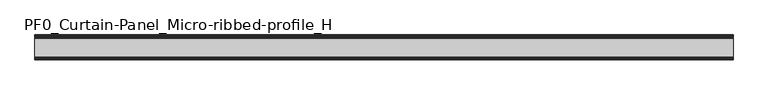
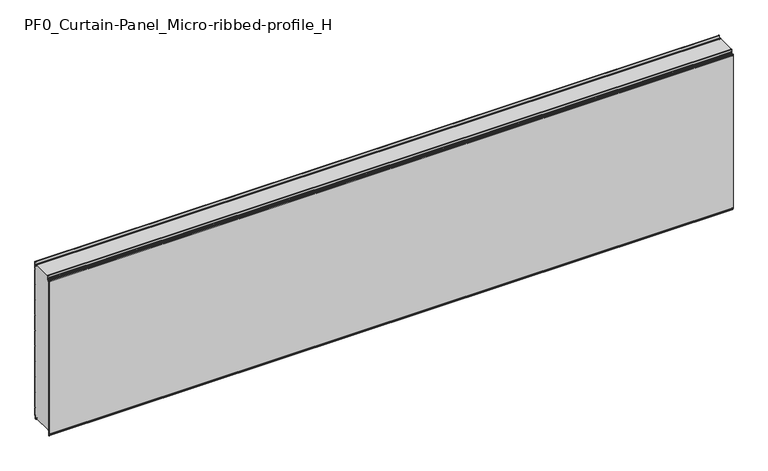
"""IFC4 building model written with IfcOpenShell, lengths in millimetres: plate geometry, PF0_Curtain-Panel_Micro-ribbed-profile_H."""

import ifcopenshell
import ifcopenshell.guid

model = None  # the IFC model being written
_history = None  # IfcOwnerHistory: only IFC2X3 demands one
_inside = {}  # id of a spatial element -> (the spatial element, [elements in it])
_under = {}  # id of a project, library or spatial element -> (it, [spatial elements below it])
_declared = {}  # id of a project -> (the project, [libraries it declares])
_typed = {}  # id of a type object -> (the type object, [elements of that type])
_made_of = {}  # id of a material, layer set ... -> (it, [elements and type objects made of it])


def new_model(schema):
    """Start an empty IFC model of exactly this schema.

    Asked for "IFC4X3", IfcOpenShell would pick the latest addendum, in which some entities
    have other attributes; the version numbers below select the first issue.
    IFC2X3 requires an IfcOwnerHistory on every rooted entity: one is made here for all.
    """
    global model, _history
    if schema == "IFC4X3":
        model = ifcopenshell.file(schema_version=(4, 3, 0, 0))
    else:
        model = ifcopenshell.file(schema=schema)
    _inside.clear()
    _under.clear()
    _declared.clear()
    _typed.clear()
    _made_of.clear()
    _history = None
    if model.schema == "IFC2X3":
        org = make("IfcOrganization", Name="unknown")
        user = make(
            "IfcPersonAndOrganization",
            ThePerson=make("IfcPerson", FamilyName="unknown"),
            TheOrganization=org,
        )
        app = make(
            "IfcApplication",
            ApplicationDeveloper=org,
            Version="unknown",
            ApplicationFullName="unknown",
            ApplicationIdentifier="unknown",
        )
        _history = make(
            "IfcOwnerHistory",
            OwningUser=user,
            OwningApplication=app,
            ChangeAction="ADDED",
            CreationDate=0,
        )
    return model


def make(cls, **values):
    """One entity of the class cls with the attributes given. An attribute that is None is left unset."""
    return model.create_entity(
        cls, **{name: value for name, value in values.items() if value is not None}
    )


def rooted(cls, **values):
    """An entity with a GlobalId (a new one), such as an element, a storey or a relation."""
    return make(cls, GlobalId=ifcopenshell.guid.new(), OwnerHistory=_history, **values)


def si_unit(unit_type, name, prefix=None):
    """IfcSIUnit, for example si_unit("LENGTHUNIT", "METRE", prefix="MILLI")."""
    return make("IfcSIUnit", UnitType=unit_type, Prefix=prefix, Name=name)


def assignment(units):
    """IfcUnitAssignment: the units of a project."""
    return None if units is None else make("IfcUnitAssignment", Units=units)


def point(xyz):
    """IfcCartesianPoint."""
    return None if xyz is None else make("IfcCartesianPoint", Coordinates=xyz)


def direction(xyz):
    """IfcDirection."""
    return None if xyz is None else make("IfcDirection", DirectionRatios=xyz)


def frame(location, z_axis=None, x_axis=None):
    """IfcAxis2Placement3D, a coordinate frame: its origin and axes. An axis left out is left unset."""
    return make(
        "IfcAxis2Placement3D",
        Location=point(location),
        Axis=direction(z_axis),
        RefDirection=direction(x_axis),
    )


def frame_2d(location, x_axis=None):
    """IfcAxis2Placement2D, a coordinate frame in the plane: its origin and x axis."""
    return make(
        "IfcAxis2Placement2D", Location=point(location), RefDirection=direction(x_axis)
    )


def origin():
    """The frame at (0, 0, 0) with its axes left unset."""
    return frame((0.0, 0.0, 0.0))


def place(relative_to, where):
    """IfcLocalPlacement: puts the frame where relative to a parent placement (None: the world)."""
    return make(
        "IfcLocalPlacement", PlacementRelTo=relative_to, RelativePlacement=where
    )


def context(
    kind, dimensions, precision=None, world=None, true_north=None, identifier=None
):
    """IfcGeometricRepresentationContext, for example the 3D "Model" context."""
    return make(
        "IfcGeometricRepresentationContext",
        ContextIdentifier=identifier,
        ContextType=kind,
        CoordinateSpaceDimension=dimensions,
        Precision=precision,
        WorldCoordinateSystem=world,
        TrueNorth=true_north,
    )


def project(units=None, contexts=None):
    """IfcProject with its units and contexts."""
    return rooted(
        "IfcProject",
        Name="project",
        RepresentationContexts=contexts,
        UnitsInContext=assignment(units),
    )


def spatial(cls, under=None, at=None, **own):
    """A site, building, storey or space (cls), placed at a placement, below another one or the project."""
    s = rooted(cls, ObjectPlacement=at, **own)
    if under is not None:
        _under.setdefault(under.id(), (under, []))[1].append(s)
    return s


def polyline(points):
    """IfcPolyline through the points."""
    return make("IfcPolyline", Points=[point(p) for p in points])


def circle_curve(where, radius):
    """IfcCircle in the frame where."""
    return make("IfcCircle", Position=where, Radius=radius)


def trimmed(basis, trim1, trim2, sense, master):
    """IfcTrimmedCurve: the piece of a basis curve between two trims."""
    return make(
        "IfcTrimmedCurve",
        BasisCurve=basis,
        Trim1=trim1,
        Trim2=trim2,
        SenseAgreement=sense,
        MasterRepresentation=master,
    )


def segment(curve, same_sense, transition):
    """IfcCompositeCurveSegment."""
    return make(
        "IfcCompositeCurveSegment",
        Transition=transition,
        SameSense=same_sense,
        ParentCurve=curve,
    )


def composite_curve(segments, self_intersect=None):
    """IfcCompositeCurve: segments joined end to end."""
    return make("IfcCompositeCurve", Segments=segments, SelfIntersect=self_intersect)


def outline(outer, holes=None, kind="AREA"):
    """IfcArbitraryClosedProfileDef: a profile drawn as a closed curve; with holes, ...WithVoids."""
    if holes is None:
        return make("IfcArbitraryClosedProfileDef", ProfileType=kind, OuterCurve=outer)
    return make(
        "IfcArbitraryProfileDefWithVoids",
        ProfileType=kind,
        OuterCurve=outer,
        InnerCurves=holes,
    )


def extrude(swept, where, along, depth):
    """IfcExtrudedAreaSolid: the profile swept, set in the frame where, extruded along a direction by depth."""
    return make(
        "IfcExtrudedAreaSolid",
        SweptArea=swept,
        Position=where,
        ExtrudedDirection=direction(along),
        Depth=depth,
    )


def shape(context_of_items, identifier, shape_type, items):
    """IfcShapeRepresentation: the items that make up one representation, for example the "Body"."""
    return make(
        "IfcShapeRepresentation",
        ContextOfItems=context_of_items,
        RepresentationIdentifier=identifier,
        RepresentationType=shape_type,
        Items=items,
    )


def source(mapping_origin, context_of_items, identifier, shape_type, items):
    """IfcRepresentationMap: a shape defined once, which mapped items show again and again."""
    return make(
        "IfcRepresentationMap",
        MappingOrigin=mapping_origin,
        MappedRepresentation=shape(context_of_items, identifier, shape_type, items),
    )


def transform(
    local_origin,
    x_axis=None,
    y_axis=None,
    z_axis=None,
    scale=None,
    scale2=None,
    scale3=None,
    uniform=True,
):
    """IfcCartesianTransformationOperator3D, or its non-uniform kind. x_axis, y_axis, z_axis: its Axis1, 2, 3."""
    if uniform:
        return make(
            "IfcCartesianTransformationOperator3D",
            Axis1=direction(x_axis),
            Axis2=direction(y_axis),
            LocalOrigin=point(local_origin),
            Scale=scale,
            Axis3=direction(z_axis),
        )
    return make(
        "IfcCartesianTransformationOperator3DnonUniform",
        Axis1=direction(x_axis),
        Axis2=direction(y_axis),
        LocalOrigin=point(local_origin),
        Scale=scale,
        Axis3=direction(z_axis),
        Scale2=scale2,
        Scale3=scale3,
    )


def mapped(mapping_source, mapping_target):
    """IfcMappedItem: shows the shape of a source again, moved by a transform."""
    return make(
        "IfcMappedItem", MappingSource=mapping_source, MappingTarget=mapping_target
    )


def made_of(thing, what):
    """Note that an element or type object is made of a material, layer set ...; save() writes the relation."""
    if what is not None:
        _made_of.setdefault(what.id(), (what, []))[1].append(thing)
    return thing


def element(
    cls,
    number,
    at=None,
    inside=None,
    cuts=None,
    type_object=None,
    material=None,
    context=None,
    identifier="Body",
    shape_type=None,
    held_by="IfcProductDefinitionShape",
    body=None,
    shapes=None,
    **own,
):
    """One element of the class cls, such as IfcWall. Its Tag is "e" and its number.

    at: its placement. inside: the storey or other place that contains it. cuts: it is an
    opening in that element (IfcRelVoidsElement). A single representation is given by context,
    identifier, shape_type and body (its items); several are given by shapes. held_by: the class
    of the entity that holds the representations. save() writes the other relations.
    """
    e = rooted(cls, Tag="e%d" % number, ObjectPlacement=at, **own)
    if body is not None:
        shapes = [shape(context, identifier, shape_type, body)]
    if shapes is not None:
        e.Representation = make(held_by, Representations=shapes)
    if inside is not None:
        _inside.setdefault(inside.id(), (inside, []))[1].append(e)
    if cuts is not None:
        rooted(
            "IfcRelVoidsElement", RelatingBuildingElement=cuts, RelatedOpeningElement=e
        )
    if type_object is not None:
        _typed.setdefault(type_object.id(), (type_object, []))[1].append(e)
    return made_of(e, material)


def aggregate(whole, parts):
    """IfcRelAggregates: a whole, such as a stair, and the parts it consists of."""
    return rooted("IfcRelAggregates", RelatingObject=whole, RelatedObjects=parts)


def save(model, path):
    """Write the relations noted so far, then the file.

    IfcRelAggregates (storeys below a building ...), IfcRelContainedInSpatialStructure (elements
    in a storey), IfcRelDefinesByType, IfcRelAssociatesMaterial and IfcRelDeclares: one each for
    every whole, place, type object, material and project.
    """
    for whole, parts in _under.values():
        aggregate(whole, parts)
    for where, things in _inside.values():
        rooted(
            "IfcRelContainedInSpatialStructure",
            RelatedElements=things,
            RelatingStructure=where,
        )
    for kind, things in _typed.values():
        rooted("IfcRelDefinesByType", RelatedObjects=things, RelatingType=kind)
    for what, things in _made_of.values():
        rooted("IfcRelAssociatesMaterial", RelatedObjects=things, RelatingMaterial=what)
    for by, libraries in _declared.values():
        rooted("IfcRelDeclares", RelatingContext=by, RelatedDefinitions=libraries)
    model.write(path)


def plane_surface(at):
    """IfcPlane: the flat surface through the origin of the frame at, square to its z axis."""
    return make("IfcPlane", Position=at)


def cylinder_surface(at, radius):
    """IfcCylindricalSurface: all points at the distance radius from the z axis of the frame at."""
    return make("IfcCylindricalSurface", Position=at, Radius=radius)


def revolved_surface(curve, axis_point, axis_direction):
    """IfcSurfaceOfRevolution: the curve turned about the line through axis_point along axis_direction."""
    return make(
        "IfcSurfaceOfRevolution",
        SweptCurve=make("IfcArbitraryOpenProfileDef", ProfileType="CURVE", Curve=curve),
        AxisPosition=make("IfcAxis1Placement", Location=point(axis_point), Axis=direction(axis_direction)),
    )


def advanced_brep(points, edges, surfaces, faces):
    """IfcAdvancedBrep: a solid bounded by faces that lie on surfaces and meet in shared edges.

    An edge is (start, end): straight between two places in points (the first is 0);
    or (start, end, curve); or (start, end, curve, False) where it runs against its curve.
    A face is (place in surfaces, loops), or (place, loops, False) where it looks against
    its surface's normal. A loop lists edges by number (the first is 1), with a minus sign
    where the edge is run from its end to its start. The first loop is the outer one.
    """
    corners = [point(p) for p in points]
    vertices = [make("IfcVertexPoint", VertexGeometry=c) for c in corners]
    made = []
    for start, end, *more in edges:
        made.append(
            make(
                "IfcEdgeCurve",
                EdgeStart=vertices[start],
                EdgeEnd=vertices[end],
                EdgeGeometry=more[0] if more else make("IfcPolyline", Points=[corners[start], corners[end]]),
                SameSense=more[1] if len(more) > 1 else True,
            )
        )
    hull = []
    for where, loops, *sense in faces:
        bounds = []
        for j, loop in enumerate(loops):
            ring = [make("IfcOrientedEdge", EdgeElement=made[abs(k) - 1], Orientation=k > 0) for k in loop]
            bounds.append(
                make(
                    "IfcFaceOuterBound" if j == 0 else "IfcFaceBound",
                    Bound=make("IfcEdgeLoop", EdgeList=ring),
                    Orientation=True,
                )
            )
        hull.append(make("IfcAdvancedFace", Bounds=bounds, FaceSurface=surfaces[where], SameSense=sense[0] if sense else True))
    return make("IfcAdvancedBrep", Outer=make("IfcClosedShell", CfsFaces=hull))


def pf0_curtain_panel_micro_ribbed_profile_h_ebd55389(model_context):
    return source(origin(), model_context, "Body", "SolidModel", [
        advanced_brep(
        [(-2100.0, -15.878557, 0.0), (-2100.0, -20.0, 0.0), (-2100.0, -20.0, 0.8), (-2100.0, -15.878557, 0.8), (-2100.0, -13.1503208, -1.370137), (-2100.0, -11.728236, -7.529863), (-2100.0, -6.2, -6.9), (-2100.0, -6.2, 8.6), (-2100.0, -3.4, 11.4), (-2100.0, -2.0, 11.4), (-2100.0, -0.8, 12.6), (-2100.0, -0.8, 57.6856412), (-2100.0, -2.482606, 60.6), (-2100.0, -0.8, 63.5143588), (-2100.0, -0.8, 157.6856412), (-2100.0, -2.482606, 160.6), (-2100.0, -0.8, 163.5143588), (-2100.0, -0.8, 257.6856412), (-2100.0, -2.482606, 260.6), (-2100.0, -0.8, 263.5143588), (-2100.0, -0.8, 357.6856412), (-2100.0, -2.482606, 360.6), (-2100.0, -0.8, 363.5143588), (-2100.0, -0.8, 457.6856412), (-2100.0, -2.482606, 460.6), (-2100.0, -0.8, 463.5143588), (-2100.0, -0.8, 557.6856412), (-2100.0, -2.482606, 560.6), (-2100.0, -0.8, 563.5143588), (-2100.0, -0.8, 657.6856412), (-2100.0, -2.482606, 660.6), (-2100.0, -0.8, 663.5143588), (-2100.0, -0.8, 757.6856412), (-2100.0, -2.482606, 760.6), (-2100.0, -0.8, 763.5143588), (-2100.0, -0.8, 857.6856412), (-2100.0, -2.482606, 860.6), (-2100.0, -0.8, 863.5143588), (-2100.0, -0.8, 957.6856412), (-2100.0, -2.482606, 960.6), (-2100.0, -0.8, 963.5143588), (-2100.0, -0.8, 1008.1), (-2100.0, -4.2, 1008.1), (-2100.0, -4.2, 991.1), (-2100.0, -13.7270771, 990.2664884), (-2100.0, -14.8636953, 996.7125669), (-2100.0, -16.6363492, 998.2), (-2100.0, -20.0, 998.2), (-2100.0, -20.0, 999.0), (-2100.0, -16.6363492, 999.0), (-2100.0, -14.0758491, 996.8514855), (-2100.0, -12.939231, 990.405407), (-2100.0, -5.0, 991.1), (-2100.0, -5.0, 1008.1), (-2100.0, -2.5, 1010.6), (-2100.0, 0.0, 1008.1), (-2100.0, 0.0, 963.2999995), (-2100.0, -1.5588455, 960.6), (-2100.0, 0.0, 957.9000005), (-2100.0, 0.0, 863.2999995), (-2100.0, -1.5588455, 860.6), (-2100.0, 0.0, 857.9000005), (-2100.0, 0.0, 763.2999995), (-2100.0, -1.5588455, 760.6), (-2100.0, 0.0, 757.9000005), (-2100.0, 0.0, 663.2999995), (-2100.0, -1.5588455, 660.6), (-2100.0, 0.0, 657.9000005), (-2100.0, 0.0, 563.2999995), (-2100.0, -1.5588455, 560.6), (-2100.0, 0.0, 557.9000005), (-2100.0, 0.0, 463.2999995), (-2100.0, -1.5588455, 460.6), (-2100.0, 0.0, 457.9000005), (-2100.0, 0.0, 363.2999995), (-2100.0, -1.5588455, 360.6), (-2100.0, 0.0, 357.9000005), (-2100.0, 0.0, 263.2999995), (-2100.0, -1.5588455, 260.6), (-2100.0, 0.0, 257.9000005), (-2100.0, 0.0, 163.2999995), (-2100.0, -1.5588455, 160.6), (-2100.0, 0.0, 157.9000005), (-2100.0, 0.0, 63.2999995), (-2100.0, -1.5588455, 60.6), (-2100.0, 0.0, 57.9000005), (-2100.0, 0.0, 12.6), (-2100.0, -2.0, 10.6), (-2100.0, -3.4, 10.6), (-2100.0, -5.4, 8.6), (-2100.0, -5.4, -6.9), (-2100.0, -12.5077322, -7.7098239), (-2100.0, -13.929817, -1.5500979), (2100.0, -15.878557, 0.0), (2100.0, -13.9298169, -1.5500978), (2100.0, -12.507732, -7.7098239), (2100.0, -5.4, -6.9), (2100.0, -5.4, 8.6), (2100.0, -3.4, 10.6), (2100.0, -2.0, 10.6), (2100.0, 0.0, 12.6), (2100.0, 0.0, 57.9000005), (2100.0, -1.5588455, 60.6), (2100.0, 0.0, 63.2999995), (2100.0, 0.0, 157.9000005), (2100.0, -1.5588455, 160.6), (2100.0, 0.0, 163.2999995), (2100.0, 0.0, 257.9000005), (2100.0, -1.5588455, 260.6), (2100.0, 0.0, 263.2999995), (2100.0, 0.0, 357.9000005), (2100.0, -1.5588455, 360.6), (2100.0, 0.0, 363.2999995), (2100.0, 0.0, 457.9000005), (2100.0, -1.5588455, 460.6), (2100.0, 0.0, 463.2999995), (2100.0, 0.0, 557.9000005), (2100.0, -1.5588455, 560.6), (2100.0, 0.0, 563.2999995), (2100.0, 0.0, 657.9000005), (2100.0, -1.5588455, 660.6), (2100.0, 0.0, 663.2999995), (2100.0, 0.0, 757.9000005), (2100.0, -1.5588455, 760.6), (2100.0, 0.0, 763.2999995), (2100.0, 0.0, 857.9000005), (2100.0, -1.5588455, 860.6), (2100.0, 0.0, 863.2999995), (2100.0, 0.0, 957.9000005), (2100.0, -1.5588455, 960.6), (2100.0, 0.0, 963.2999995), (2100.0, 0.0, 1008.1), (2100.0, -2.5, 1010.6), (2100.0, -5.0, 1008.1), (2100.0, -5.0, 991.1), (2100.0, -12.939231, 990.405407), (2100.0, -14.0758491, 996.8514855), (2100.0, -16.6363492, 999.0), (2100.0, -20.0, 999.0), (2100.0, -20.0, 998.2), (2100.0, -16.6363492, 998.2), (2100.0, -14.8636953, 996.7125669), (2100.0, -13.7270772, 990.2664884), (2100.0, -4.2, 991.1), (2100.0, -4.2, 1008.1), (2100.0, -0.8, 1008.1), (2100.0, -0.8, 963.5143588), (2100.0, -2.482606, 960.6), (2100.0, -0.8, 957.6856412), (2100.0, -0.8, 863.5143588), (2100.0, -2.482606, 860.6), (2100.0, -0.8, 857.6856412), (2100.0, -0.8, 763.5143588), (2100.0, -2.482606, 760.6), (2100.0, -0.8, 757.6856412), (2100.0, -0.8, 663.5143588), (2100.0, -2.482606, 660.6), (2100.0, -0.8, 657.6856412), (2100.0, -0.8, 563.5143588), (2100.0, -2.482606, 560.6), (2100.0, -0.8, 557.6856412), (2100.0, -0.8, 463.5143588), (2100.0, -2.482606, 460.6), (2100.0, -0.8, 457.6856412), (2100.0, -0.8, 363.5143588), (2100.0, -2.482606, 360.6), (2100.0, -0.8, 357.6856412), (2100.0, -0.8, 263.5143588), (2100.0, -2.482606, 260.6), (2100.0, -0.8, 257.6856412), (2100.0, -0.8, 163.5143588), (2100.0, -2.482606, 160.6), (2100.0, -0.8, 157.6856412), (2100.0, -0.8, 63.5143588), (2100.0, -2.482606, 60.6), (2100.0, -0.8, 57.6856412), (2100.0, -0.8, 12.6), (2100.0, -2.0, 11.4), (2100.0, -3.4, 11.4), (2100.0, -6.2, 8.6), (2100.0, -6.2, -6.9), (2100.0, -11.7282362, -7.529863), (2100.0, -13.150321, -1.370137), (2100.0, -15.878557, 0.8), (2100.0, -20.0, 0.8), (2100.0, -20.0, 0.0)],
        [
            (0, 1),
            (1, 2),
            (2, 3),
            (3, 4, circle_curve(frame((-2100.0, -15.878557, -2.0), z_axis=(-1.0, 0.0, 0.0), x_axis=(0.0, 0.0, 1.0)), 2.8)),
            (4, 5),
            (5, 6, circle_curve(frame((-2100.0, -9.0, -6.9), z_axis=(1.0, 0.0, 0.0), x_axis=(0.0, 0.0, 1.0)), 2.8)),
            (6, 7),
            (7, 8, circle_curve(frame((-2100.0, -3.4, 8.6), z_axis=(-1.0, 0.0, 0.0), x_axis=(0.0, 0.0, 1.0)), 2.8)),
            (8, 9),
            (9, 10, circle_curve(frame((-2100.0, -2.0, 12.6), z_axis=(1.0, 0.0, 0.0), x_axis=(0.0, 0.0, 1.0)), 1.2)),
            (10, 11),
            (11, 12),
            (12, 13),
            (13, 14),
            (14, 15),
            (15, 16),
            (16, 17),
            (17, 18),
            (18, 19),
            (19, 20),
            (20, 21),
            (21, 22),
            (22, 23),
            (23, 24),
            (24, 25),
            (25, 26),
            (26, 27),
            (27, 28),
            (28, 29),
            (29, 30),
            (30, 31),
            (31, 32),
            (32, 33),
            (33, 34),
            (34, 35),
            (35, 36),
            (36, 37),
            (37, 38),
            (38, 39),
            (39, 40),
            (40, 41),
            (41, 42, circle_curve(frame((-2100.0, -2.5, 1008.1), z_axis=(1.0, 0.0, 0.0), x_axis=(0.0, 0.0, 1.0)), 1.7)),
            (42, 43),
            (43, 44, circle_curve(frame((-2100.0, -9.0, 991.1), z_axis=(-1.0, 0.0, 0.0), x_axis=(0.0, 0.0, 1.0)), 4.8)),
            (44, 45),
            (45, 46, circle_curve(frame((-2100.0, -16.6363492, 996.4), z_axis=(1.0, 0.0, 0.0), x_axis=(0.0, 0.0, 1.0)), 1.8)),
            (46, 47),
            (47, 48),
            (48, 49),
            (49, 50, circle_curve(frame((-2100.0, -16.6363492, 996.4), z_axis=(-1.0, 0.0, 0.0), x_axis=(0.0, 0.0, 1.0)), 2.6)),
            (50, 51),
            (51, 52, circle_curve(frame((-2100.0, -9.0, 991.1), z_axis=(1.0, 0.0, 0.0), x_axis=(0.0, 0.0, 1.0)), 4.0)),
            (52, 53),
            (53, 54, circle_curve(frame((-2100.0, -2.5, 1008.1), z_axis=(-1.0, 0.0, 0.0), x_axis=(0.0, 0.0, 1.0)), 2.5)),
            (54, 55, circle_curve(frame((-2100.0, -2.5, 1008.1), z_axis=(-1.0, 0.0, 0.0), x_axis=(0.0, 0.0, 1.0)), 2.5)),
            (55, 56),
            (56, 57),
            (57, 58),
            (58, 59),
            (59, 60),
            (60, 61),
            (61, 62),
            (62, 63),
            (63, 64),
            (64, 65),
            (65, 66),
            (66, 67),
            (67, 68),
            (68, 69),
            (69, 70),
            (70, 71),
            (71, 72),
            (72, 73),
            (73, 74),
            (74, 75),
            (75, 76),
            (76, 77),
            (77, 78),
            (78, 79),
            (79, 80),
            (80, 81),
            (81, 82),
            (82, 83),
            (83, 84),
            (84, 85),
            (85, 86),
            (86, 87, circle_curve(frame((-2100.0, -2.0, 12.6), z_axis=(-1.0, 0.0, 0.0), x_axis=(0.0, 0.0, 1.0)), 2.0)),
            (87, 88),
            (88, 89, circle_curve(frame((-2100.0, -3.4, 8.6), z_axis=(1.0, 0.0, 0.0), x_axis=(0.0, 0.0, 1.0)), 2.0)),
            (89, 90),
            (90, 91, circle_curve(frame((-2100.0, -9.0, -6.9), z_axis=(-1.0, 0.0, 0.0), x_axis=(0.0, 0.0, 1.0)), 3.6)),
            (91, 92),
            (92, 0, circle_curve(frame((-2100.0, -15.878557, -2.0), z_axis=(1.0, 0.0, 0.0), x_axis=(0.0, 0.0, 1.0)), 2.0)),
            (93, 94, circle_curve(frame((2100.0, -15.878557, -2.0), z_axis=(-1.0, 0.0, 0.0), x_axis=(0.0, 0.0, 1.0)), 2.0)),
            (94, 95),
            (95, 96, circle_curve(frame((2100.0, -9.0, -6.9), z_axis=(1.0, 0.0, 0.0), x_axis=(0.0, 0.0, 1.0)), 3.6)),
            (96, 97),
            (97, 98, circle_curve(frame((2100.0, -3.4, 8.6), z_axis=(-1.0, 0.0, 0.0), x_axis=(0.0, 0.0, 1.0)), 2.0)),
            (98, 99),
            (99, 100, circle_curve(frame((2100.0, -2.0, 12.6), z_axis=(1.0, 0.0, 0.0), x_axis=(0.0, 0.0, 1.0)), 2.0)),
            (100, 101),
            (101, 102),
            (102, 103),
            (103, 104),
            (104, 105),
            (105, 106),
            (106, 107),
            (107, 108),
            (108, 109),
            (109, 110),
            (110, 111),
            (111, 112),
            (112, 113),
            (113, 114),
            (114, 115),
            (115, 116),
            (116, 117),
            (117, 118),
            (118, 119),
            (119, 120),
            (120, 121),
            (121, 122),
            (122, 123),
            (123, 124),
            (124, 125),
            (125, 126),
            (126, 127),
            (127, 128),
            (128, 129),
            (129, 130),
            (130, 131),
            (131, 132, circle_curve(frame((2100.0, -2.5, 1008.1), z_axis=(1.0, 0.0, 0.0), x_axis=(0.0, 0.0, 1.0)), 2.5)),
            (132, 133, circle_curve(frame((2100.0, -2.5, 1008.1), z_axis=(1.0, 0.0, 0.0), x_axis=(0.0, 0.0, 1.0)), 2.5)),
            (133, 134),
            (134, 135, circle_curve(frame((2100.0, -9.0, 991.1), z_axis=(-1.0, 0.0, 0.0), x_axis=(0.0, 0.0, 1.0)), 4.0)),
            (135, 136),
            (136, 137, circle_curve(frame((2100.0, -16.6363492, 996.4), z_axis=(1.0, 0.0, 0.0), x_axis=(0.0, 0.0, 1.0)), 2.6)),
            (137, 138),
            (138, 139),
            (139, 140),
            (140, 141, circle_curve(frame((2100.0, -16.6363492, 996.4), z_axis=(-1.0, 0.0, 0.0), x_axis=(0.0, 0.0, 1.0)), 1.8)),
            (141, 142),
            (142, 143, circle_curve(frame((2100.0, -9.0, 991.1), z_axis=(1.0, 0.0, 0.0), x_axis=(0.0, 0.0, 1.0)), 4.8)),
            (143, 144),
            (144, 145, circle_curve(frame((2100.0, -2.5, 1008.1), z_axis=(-1.0, 0.0, 0.0), x_axis=(0.0, 0.0, 1.0)), 1.7)),
            (145, 146),
            (146, 147),
            (147, 148),
            (148, 149),
            (149, 150),
            (150, 151),
            (151, 152),
            (152, 153),
            (153, 154),
            (154, 155),
            (155, 156),
            (156, 157),
            (157, 158),
            (158, 159),
            (159, 160),
            (160, 161),
            (161, 162),
            (162, 163),
            (163, 164),
            (164, 165),
            (165, 166),
            (166, 167),
            (167, 168),
            (168, 169),
            (169, 170),
            (170, 171),
            (171, 172),
            (172, 173),
            (173, 174),
            (174, 175),
            (175, 176),
            (176, 177, circle_curve(frame((2100.0, -2.0, 12.6), z_axis=(-1.0, 0.0, 0.0), x_axis=(0.0, 0.0, 1.0)), 1.2)),
            (177, 178),
            (178, 179, circle_curve(frame((2100.0, -3.4, 8.6), z_axis=(1.0, 0.0, 0.0), x_axis=(0.0, 0.0, 1.0)), 2.8)),
            (179, 180),
            (180, 181, circle_curve(frame((2100.0, -9.0, -6.9), z_axis=(-1.0, 0.0, 0.0), x_axis=(0.0, 0.0, 1.0)), 2.8)),
            (181, 182),
            (182, 183, circle_curve(frame((2100.0, -15.878557, -2.0), z_axis=(1.0, 0.0, 0.0), x_axis=(0.0, 0.0, 1.0)), 2.8)),
            (183, 184),
            (184, 185),
            (185, 93),
            (0, 93),
            (185, 1),
            (184, 2),
            (183, 3),
            (182, 4),
            (181, 5),
            (180, 6),
            (179, 7),
            (178, 8),
            (177, 9),
            (176, 10),
            (175, 11),
            (174, 12),
            (173, 13),
            (172, 14),
            (171, 15),
            (170, 16),
            (169, 17),
            (168, 18),
            (167, 19),
            (166, 20),
            (165, 21),
            (164, 22),
            (163, 23),
            (162, 24),
            (161, 25),
            (160, 26),
            (159, 27),
            (158, 28),
            (157, 29),
            (156, 30),
            (155, 31),
            (154, 32),
            (153, 33),
            (152, 34),
            (151, 35),
            (150, 36),
            (149, 37),
            (148, 38),
            (147, 39),
            (146, 40),
            (145, 41),
            (144, 42),
            (143, 43),
            (142, 44),
            (141, 45),
            (140, 46),
            (139, 47),
            (138, 48),
            (137, 49),
            (136, 50),
            (135, 51),
            (134, 52),
            (133, 53),
            (131, 55),
            (130, 56),
            (129, 57),
            (128, 58),
            (127, 59),
            (126, 60),
            (125, 61),
            (124, 62),
            (123, 63),
            (122, 64),
            (121, 65),
            (120, 66),
            (119, 67),
            (118, 68),
            (117, 69),
            (116, 70),
            (115, 71),
            (114, 72),
            (113, 73),
            (112, 74),
            (111, 75),
            (110, 76),
            (109, 77),
            (108, 78),
            (107, 79),
            (106, 80),
            (105, 81),
            (104, 82),
            (103, 83),
            (102, 84),
            (101, 85),
            (100, 86),
            (99, 87),
            (98, 88),
            (97, 89),
            (96, 90),
            (95, 91),
            (94, 92),
        ],
        [
            plane_surface(frame((-2100.0, 0.0, 0.0), z_axis=(-1.0, 0.0, 0.0), x_axis=(0.0, 1.0, 0.0))),
            plane_surface(frame((2100.0, 0.0, 0.0), z_axis=(1.0, 0.0, 0.0), x_axis=(0.0, 1.0, 0.0))),
            plane_surface(frame((-2100.0, -15.878557, 0.0), z_axis=(0.0, 0.0, -1.0), x_axis=(1.0, 0.0, 0.0))),
            plane_surface(frame((-2100.0, -20.0, 0.0), z_axis=(0.0, -1.0, 0.0), x_axis=(1.0, 0.0, 0.0))),
            plane_surface(frame((-2100.0, -20.0, 0.8), z_axis=(0.0, 0.0, 1.0), x_axis=(1.0, 0.0, 0.0))),
            cylinder_surface(frame((-2100.0, -15.878557, -2.0), z_axis=(-1.0, 0.0, 0.0), x_axis=(0.0, 0.0, 1.0)), 2.8),
            plane_surface(frame((-2100.0, -13.150321, -1.370137), z_axis=(0.0, 0.9743700578318181, 0.22495108446242168), x_axis=(1.0, 0.0, 0.0))),
            revolved_surface(polyline([(2100.0, -9.0, -4.1000000000000005), (-2100.0, -9.0, -4.1000000000000005)]), (-2100.0, -9.0, -6.9), (1.0, 0.0, 0.0)),
            plane_surface(frame((-2100.0, -6.2, -6.9), z_axis=(0.0, -1.0, 0.0), x_axis=(1.0, 0.0, 0.0))),
            cylinder_surface(frame((-2100.0, -3.4, 8.6), z_axis=(-1.0, 0.0, 0.0), x_axis=(0.0, 0.0, 1.0)), 2.8),
            plane_surface(frame((-2100.0, -3.4, 11.4), z_axis=(0.0, 0.0, 1.0), x_axis=(1.0, 0.0, 0.0))),
            revolved_surface(polyline([(2100.0, -2.0, 13.799999999999999), (-2100.0, -2.0, 13.799999999999999)]), (-2100.0, -2.0, 12.6), (1.0, 0.0, 0.0)),
            plane_surface(frame((-2100.0, -0.8, 12.6), z_axis=(0.0, -1.0, 0.0), x_axis=(1.0, 0.0, 0.0))),
            plane_surface(frame((-2100.0, -0.8, 57.6856412), z_axis=(0.0, -0.8660253865035757, -0.5000000299313314), x_axis=(1.0, 0.0, 0.0))),
            plane_surface(frame((-2100.0, -2.482606, 60.6), z_axis=(0.0, -0.8660253865035789, 0.5000000299313261), x_axis=(1.0, 0.0, 0.0))),
            plane_surface(frame((-2100.0, -0.8, 63.5143588), z_axis=(0.0, -1.0, 0.0), x_axis=(1.0, 0.0, 0.0))),
            plane_surface(frame((-2100.0, -0.8, 157.6856412), z_axis=(0.0, -0.8660253865035755, -0.5000000299313319), x_axis=(1.0, 0.0, 0.0))),
            plane_surface(frame((-2100.0, -2.482606, 160.6), z_axis=(0.0, -0.8660253865035777, 0.5000000299313279), x_axis=(1.0, 0.0, 0.0))),
            plane_surface(frame((-2100.0, -0.8, 163.5143588), z_axis=(0.0, -1.0, 0.0), x_axis=(1.0, 0.0, 0.0))),
            plane_surface(frame((-2100.0, -0.8, 257.6856412), z_axis=(0.0, -0.8660253865035755, -0.5000000299313319), x_axis=(1.0, 0.0, 0.0))),
            plane_surface(frame((-2100.0, -2.482606, 260.6), z_axis=(0.0, -0.8660253865035777, 0.5000000299313279), x_axis=(1.0, 0.0, 0.0))),
            plane_surface(frame((-2100.0, -0.8, 263.5143588), z_axis=(0.0, -1.0, 0.0), x_axis=(1.0, 0.0, 0.0))),
            plane_surface(frame((-2100.0, -0.8, 357.6856412), z_axis=(0.0, -0.8660253865035754, -0.500000029931332), x_axis=(1.0, 0.0, 0.0))),
            plane_surface(frame((-2100.0, -2.482606, 360.6), z_axis=(0.0, -0.8660253865035789, 0.5000000299313261), x_axis=(1.0, 0.0, 0.0))),
            plane_surface(frame((-2100.0, -0.8, 363.5143588), z_axis=(0.0, -1.0, 0.0), x_axis=(1.0, 0.0, 0.0))),
            plane_surface(frame((-2100.0, -0.8, 457.6856412), z_axis=(0.0, -0.8660253865035755, -0.5000000299313319), x_axis=(1.0, 0.0, 0.0))),
            plane_surface(frame((-2100.0, -2.482606, 460.6), z_axis=(0.0, -0.8660253865035785, 0.5000000299313266), x_axis=(1.0, 0.0, 0.0))),
            plane_surface(frame((-2100.0, -0.8, 463.5143588), z_axis=(0.0, -1.0, 0.0), x_axis=(1.0, 0.0, 0.0))),
            plane_surface(frame((-2100.0, -0.8, 557.6856412), z_axis=(0.0, -0.8660253865035755, -0.500000029931332), x_axis=(1.0, 0.0, 0.0))),
            plane_surface(frame((-2100.0, -2.482606, 560.6), z_axis=(0.0, -0.8660253865035789, 0.500000029931326), x_axis=(1.0, 0.0, 0.0))),
            plane_surface(frame((-2100.0, -0.8, 563.5143588), z_axis=(0.0, -1.0, 0.0), x_axis=(1.0, 0.0, 0.0))),
            plane_surface(frame((-2100.0, -0.8, 657.6856412), z_axis=(0.0, -0.8660253865035755, -0.5000000299313317), x_axis=(1.0, 0.0, 0.0))),
            plane_surface(frame((-2100.0, -2.482606, 660.6), z_axis=(0.0, -0.8660253865035772, 0.5000000299313291), x_axis=(1.0, 0.0, 0.0))),
            plane_surface(frame((-2100.0, -0.8, 663.5143588), z_axis=(0.0, -1.0, 0.0), x_axis=(1.0, 0.0, 0.0))),
            plane_surface(frame((-2100.0, -0.8, 757.6856412), z_axis=(0.0, -0.8660253865035755, -0.5000000299313319), x_axis=(1.0, 0.0, 0.0))),
            plane_surface(frame((-2100.0, -2.482606, 760.6), z_axis=(0.0, -0.8660253865035771, 0.5000000299313291), x_axis=(1.0, 0.0, 0.0))),
            plane_surface(frame((-2100.0, -0.8, 763.5143588), z_axis=(0.0, -1.0, 0.0), x_axis=(1.0, 0.0, 0.0))),
            plane_surface(frame((-2100.0, -0.8, 857.6856412), z_axis=(0.0, -0.8660253865035755, -0.5000000299313319), x_axis=(1.0, 0.0, 0.0))),
            plane_surface(frame((-2100.0, -2.482606, 860.6), z_axis=(0.0, -0.8660253865035775, 0.5000000299313283), x_axis=(1.0, 0.0, 0.0))),
            plane_surface(frame((-2100.0, -0.8, 863.5143588), z_axis=(0.0, -1.0, 0.0), x_axis=(1.0, 0.0, 0.0))),
            plane_surface(frame((-2100.0, -0.8, 957.6856412), z_axis=(0.0, -0.8660253865035755, -0.500000029931332), x_axis=(1.0, 0.0, 0.0))),
            plane_surface(frame((-2100.0, -2.482606, 960.6), z_axis=(0.0, -0.8660253865035771, 0.5000000299313291), x_axis=(1.0, 0.0, 0.0))),
            plane_surface(frame((-2100.0, -0.8, 963.5143588), z_axis=(0.0, -1.0, 0.0), x_axis=(1.0, 0.0, 0.0))),
            revolved_surface(polyline([(2100.0, -2.5, 1009.8000000000001), (-2100.0, -2.5, 1009.8000000000001)]), (-2100.0, -2.5, 1008.1), (1.0, 0.0, 0.0)),
            plane_surface(frame((-2100.0, -4.2, 1008.1), z_axis=(0.0, 1.0, 0.0), x_axis=(1.0, 0.0, 0.0))),
            cylinder_surface(frame((-2100.0, -9.0, 991.1), z_axis=(-1.0, 0.0, 0.0), x_axis=(0.0, 0.0, 1.0)), 4.8),
            plane_surface(frame((-2100.0, -13.7270772, 990.2664884), z_axis=(0.0, -0.9848077391954005, -0.17364825602592165), x_axis=(1.0, 0.0, 0.0))),
            revolved_surface(polyline([(2100.0, -16.6363492, 998.1999999999999), (-2100.0, -16.6363492, 998.1999999999999)]), (-2100.0, -16.6363492, 996.4), (1.0, 0.0, 0.0)),
            plane_surface(frame((-2100.0, -16.6363492, 998.2), z_axis=(0.0, 0.0, -1.0), x_axis=(1.0, 0.0, 0.0))),
            plane_surface(frame((-2100.0, -20.0, 998.2), z_axis=(0.0, -1.0, 0.0), x_axis=(1.0, 0.0, 0.0))),
            plane_surface(frame((-2100.0, -20.0, 999.0), z_axis=(0.0, 0.0, 1.0), x_axis=(1.0, 0.0, 0.0))),
            cylinder_surface(frame((-2100.0, -16.6363492, 996.4), z_axis=(-1.0, 0.0, 0.0), x_axis=(0.0, 0.0, 1.0)), 2.6),
            plane_surface(frame((-2100.0, -14.0758491, 996.8514855), z_axis=(0.0, 0.9848077391954003, 0.1736482560259224), x_axis=(1.0, 0.0, 0.0))),
            revolved_surface(polyline([(2100.0, -9.0, 995.1), (-2100.0, -9.0, 995.1)]), (-2100.0, -9.0, 991.1), (1.0, 0.0, 0.0)),
            plane_surface(frame((-2100.0, -5.0, 991.1), z_axis=(0.0, -1.0, 0.0), x_axis=(1.0, 0.0, 0.0))),
            cylinder_surface(frame((-2100.0, -2.5, 1008.1), z_axis=(-1.0, 0.0, 0.0), x_axis=(0.0, 0.0, 1.0)), 2.5),
            plane_surface(frame((-2100.0, 0.0, 1008.1), z_axis=(0.0, 1.0, 0.0), x_axis=(1.0, 0.0, 0.0))),
            plane_surface(frame((-2100.0, 0.0, 963.2999995), z_axis=(0.0, 0.8660253865035786, -0.5000000299313263), x_axis=(1.0, 0.0, 0.0))),
            plane_surface(frame((-2100.0, -1.5588455, 960.6), z_axis=(0.0, 0.8660253865035755, 0.5000000299313319), x_axis=(1.0, 0.0, 0.0))),
            plane_surface(frame((-2100.0, 0.0, 957.9000005), z_axis=(0.0, 1.0, 0.0), x_axis=(1.0, 0.0, 0.0))),
            plane_surface(frame((-2100.0, 0.0, 863.2999995), z_axis=(0.0, 0.8660253865035786, -0.5000000299313263), x_axis=(1.0, 0.0, 0.0))),
            plane_surface(frame((-2100.0, -1.5588455, 860.6), z_axis=(0.0, 0.8660253865035755, 0.5000000299313319), x_axis=(1.0, 0.0, 0.0))),
            plane_surface(frame((-2100.0, 0.0, 857.9000005), z_axis=(0.0, 1.0, 0.0), x_axis=(1.0, 0.0, 0.0))),
            plane_surface(frame((-2100.0, 0.0, 763.2999995), z_axis=(0.0, 0.8660253865035786, -0.5000000299313263), x_axis=(1.0, 0.0, 0.0))),
            plane_surface(frame((-2100.0, -1.5588455, 760.6), z_axis=(0.0, 0.8660253865035755, 0.5000000299313319), x_axis=(1.0, 0.0, 0.0))),
            plane_surface(frame((-2100.0, 0.0, 757.9000005), z_axis=(0.0, 1.0, 0.0), x_axis=(1.0, 0.0, 0.0))),
            plane_surface(frame((-2100.0, 0.0, 663.2999995), z_axis=(0.0, 0.8660253865035786, -0.5000000299313263), x_axis=(1.0, 0.0, 0.0))),
            plane_surface(frame((-2100.0, -1.5588455, 660.6), z_axis=(0.0, 0.8660253865035755, 0.5000000299313319), x_axis=(1.0, 0.0, 0.0))),
            plane_surface(frame((-2100.0, 0.0, 657.9000005), z_axis=(0.0, 1.0, 0.0), x_axis=(1.0, 0.0, 0.0))),
            plane_surface(frame((-2100.0, 0.0, 563.2999995), z_axis=(0.0, 0.8660253865035786, -0.5000000299313263), x_axis=(1.0, 0.0, 0.0))),
            plane_surface(frame((-2100.0, -1.5588455, 560.6), z_axis=(0.0, 0.8660253865035755, 0.5000000299313319), x_axis=(1.0, 0.0, 0.0))),
            plane_surface(frame((-2100.0, 0.0, 557.9000005), z_axis=(0.0, 1.0, 0.0), x_axis=(1.0, 0.0, 0.0))),
            plane_surface(frame((-2100.0, 0.0, 463.2999995), z_axis=(0.0, 0.8660253865035786, -0.5000000299313263), x_axis=(1.0, 0.0, 0.0))),
            plane_surface(frame((-2100.0, -1.5588455, 460.6), z_axis=(0.0, 0.8660253865035755, 0.5000000299313319), x_axis=(1.0, 0.0, 0.0))),
            plane_surface(frame((-2100.0, 0.0, 457.9000005), z_axis=(0.0, 1.0, 0.0), x_axis=(1.0, 0.0, 0.0))),
            plane_surface(frame((-2100.0, 0.0, 363.2999995), z_axis=(0.0, 0.8660253865035786, -0.5000000299313263), x_axis=(1.0, 0.0, 0.0))),
            plane_surface(frame((-2100.0, -1.5588455, 360.6), z_axis=(0.0, 0.8660253865035755, 0.5000000299313319), x_axis=(1.0, 0.0, 0.0))),
            plane_surface(frame((-2100.0, 0.0, 357.9000005), z_axis=(0.0, 1.0, 0.0), x_axis=(1.0, 0.0, 0.0))),
            plane_surface(frame((-2100.0, 0.0, 263.2999995), z_axis=(0.0, 0.8660253865035786, -0.5000000299313263), x_axis=(1.0, 0.0, 0.0))),
            plane_surface(frame((-2100.0, -1.5588455, 260.6), z_axis=(0.0, 0.8660253865035755, 0.5000000299313319), x_axis=(1.0, 0.0, 0.0))),
            plane_surface(frame((-2100.0, 0.0, 257.9000005), z_axis=(0.0, 1.0, 0.0), x_axis=(1.0, 0.0, 0.0))),
            plane_surface(frame((-2100.0, 0.0, 163.2999995), z_axis=(0.0, 0.8660253865035786, -0.5000000299313263), x_axis=(1.0, 0.0, 0.0))),
            plane_surface(frame((-2100.0, -1.5588455, 160.6), z_axis=(0.0, 0.8660253865035755, 0.5000000299313319), x_axis=(1.0, 0.0, 0.0))),
            plane_surface(frame((-2100.0, 0.0, 157.9000005), z_axis=(0.0, 1.0, 0.0), x_axis=(1.0, 0.0, 0.0))),
            plane_surface(frame((-2100.0, 0.0, 63.2999995), z_axis=(0.0, 0.8660253865035786, -0.5000000299313263), x_axis=(1.0, 0.0, 0.0))),
            plane_surface(frame((-2100.0, -1.5588455, 60.6), z_axis=(0.0, 0.8660253865035755, 0.5000000299313319), x_axis=(1.0, 0.0, 0.0))),
            plane_surface(frame((-2100.0, 0.0, 57.9000005), z_axis=(0.0, 1.0, 0.0), x_axis=(1.0, 0.0, 0.0))),
            cylinder_surface(frame((-2100.0, -2.0, 12.6), z_axis=(-1.0, 0.0, 0.0), x_axis=(0.0, 0.0, 1.0)), 2.0),
            plane_surface(frame((-2100.0, -2.0, 10.6), z_axis=(0.0, 0.0, -1.0), x_axis=(1.0, 0.0, 0.0))),
            revolved_surface(polyline([(2100.0, -3.4, 10.6), (-2100.0, -3.4, 10.6)]), (-2100.0, -3.4, 8.6), (1.0, 0.0, 0.0)),
            plane_surface(frame((-2100.0, -5.4, 8.6), z_axis=(0.0, 1.0, 0.0), x_axis=(1.0, 0.0, 0.0))),
            cylinder_surface(frame((-2100.0, -9.0, -6.9), z_axis=(-1.0, 0.0, 0.0), x_axis=(0.0, 0.0, 1.0)), 3.6),
            plane_surface(frame((-2100.0, -12.507732, -7.7098239), z_axis=(0.0, -0.9743700578318182, -0.22495108446242174), x_axis=(1.0, 0.0, 0.0))),
            revolved_surface(polyline([(2100.0, -15.878557, 0.0), (-2100.0, -15.878557, 0.0)]), (-2100.0, -15.878557, -2.0), (1.0, 0.0, 0.0)),
        ],
        [
            (0, [[1, 2, 3, 4, 5, 6, 7, 8, 9, 10, 11, 12, 13, 14, 15, 16, 17, 18, 19, 20, 21, 22, 23, 24, 25, 26, 27, 28, 29, 30, 31, 32, 33, 34, 35, 36, 37, 38, 39, 40, 41, 42, 43, 44, 45, 46, 47, 48, 49, 50, 51, 52, 53, 54, 55, 56, 57, 58, 59, 60, 61, 62, 63, 64, 65, 66, 67, 68, 69, 70, 71, 72, 73, 74, 75, 76, 77, 78, 79, 80, 81, 82, 83, 84, 85, 86, 87, 88, 89, 90, 91, 92, 93]]),
            (1, [[94, 95, 96, 97, 98, 99, 100, 101, 102, 103, 104, 105, 106, 107, 108, 109, 110, 111, 112, 113, 114, 115, 116, 117, 118, 119, 120, 121, 122, 123, 124, 125, 126, 127, 128, 129, 130, 131, 132, 133, 134, 135, 136, 137, 138, 139, 140, 141, 142, 143, 144, 145, 146, 147, 148, 149, 150, 151, 152, 153, 154, 155, 156, 157, 158, 159, 160, 161, 162, 163, 164, 165, 166, 167, 168, 169, 170, 171, 172, 173, 174, 175, 176, 177, 178, 179, 180, 181, 182, 183, 184, 185, 186]]),
            (2, [[-1, 187, -186, 188]]),
            (3, [[-2, -188, -185, 189]]),
            (4, [[-3, -189, -184, 190]]),
            (5, [[-4, -190, -183, 191]]),
            (6, [[-5, -191, -182, 192]]),
            (7, [[-6, -192, -181, 193]]),
            (8, [[-7, -193, -180, 194]]),
            (9, [[-8, -194, -179, 195]]),
            (10, [[-9, -195, -178, 196]]),
            (11, [[-10, -196, -177, 197]]),
            (12, [[-11, -197, -176, 198]]),
            (13, [[-12, -198, -175, 199]]),
            (14, [[-13, -199, -174, 200]]),
            (15, [[-14, -200, -173, 201]]),
            (16, [[-15, -201, -172, 202]]),
            (17, [[-16, -202, -171, 203]]),
            (18, [[-17, -203, -170, 204]]),
            (19, [[-18, -204, -169, 205]]),
            (20, [[-19, -205, -168, 206]]),
            (21, [[-20, -206, -167, 207]]),
            (22, [[-21, -207, -166, 208]]),
            (23, [[-22, -208, -165, 209]]),
            (24, [[-23, -209, -164, 210]]),
            (25, [[-24, -210, -163, 211]]),
            (26, [[-25, -211, -162, 212]]),
            (27, [[-26, -212, -161, 213]]),
            (28, [[-27, -213, -160, 214]]),
            (29, [[-28, -214, -159, 215]]),
            (30, [[-29, -215, -158, 216]]),
            (31, [[-30, -216, -157, 217]]),
            (32, [[-31, -217, -156, 218]]),
            (33, [[-32, -218, -155, 219]]),
            (34, [[-33, -219, -154, 220]]),
            (35, [[-34, -220, -153, 221]]),
            (36, [[-35, -221, -152, 222]]),
            (37, [[-36, -222, -151, 223]]),
            (38, [[-37, -223, -150, 224]]),
            (39, [[-38, -224, -149, 225]]),
            (40, [[-39, -225, -148, 226]]),
            (41, [[-40, -226, -147, 227]]),
            (42, [[-41, -227, -146, 228]]),
            (43, [[-42, -228, -145, 229]]),
            (44, [[-43, -229, -144, 230]]),
            (45, [[-44, -230, -143, 231]]),
            (46, [[-45, -231, -142, 232]]),
            (47, [[-46, -232, -141, 233]]),
            (48, [[-47, -233, -140, 234]]),
            (49, [[-48, -234, -139, 235]]),
            (50, [[-49, -235, -138, 236]]),
            (51, [[-50, -236, -137, 237]]),
            (52, [[-51, -237, -136, 238]]),
            (53, [[-52, -238, -135, 239]]),
            (54, [[-53, -239, -134, 240]]),
            (55, [[-240, -133, -132, 241, -55, -54]]),
            (56, [[-56, -241, -131, 242]]),
            (57, [[-57, -242, -130, 243]]),
            (58, [[-58, -243, -129, 244]]),
            (59, [[-59, -244, -128, 245]]),
            (60, [[-60, -245, -127, 246]]),
            (61, [[-61, -246, -126, 247]]),
            (62, [[-62, -247, -125, 248]]),
            (63, [[-63, -248, -124, 249]]),
            (64, [[-64, -249, -123, 250]]),
            (65, [[-65, -250, -122, 251]]),
            (66, [[-66, -251, -121, 252]]),
            (67, [[-67, -252, -120, 253]]),
            (68, [[-68, -253, -119, 254]]),
            (69, [[-69, -254, -118, 255]]),
            (70, [[-70, -255, -117, 256]]),
            (71, [[-71, -256, -116, 257]]),
            (72, [[-72, -257, -115, 258]]),
            (73, [[-73, -258, -114, 259]]),
            (74, [[-74, -259, -113, 260]]),
            (75, [[-75, -260, -112, 261]]),
            (76, [[-76, -261, -111, 262]]),
            (77, [[-77, -262, -110, 263]]),
            (78, [[-78, -263, -109, 264]]),
            (79, [[-79, -264, -108, 265]]),
            (80, [[-80, -265, -107, 266]]),
            (81, [[-81, -266, -106, 267]]),
            (82, [[-82, -267, -105, 268]]),
            (83, [[-83, -268, -104, 269]]),
            (84, [[-84, -269, -103, 270]]),
            (85, [[-85, -270, -102, 271]]),
            (86, [[-86, -271, -101, 272]]),
            (87, [[-87, -272, -100, 273]]),
            (88, [[-88, -273, -99, 274]]),
            (89, [[-89, -274, -98, 275]]),
            (90, [[-90, -275, -97, 276]]),
            (91, [[-91, -276, -96, 277]]),
            (92, [[-92, -277, -95, 278]]),
            (93, [[-93, -278, -94, -187]]),
        ],
    ),
        extrude(outline(composite_curve([segment(polyline([(-140.0, 0.0), (-143.5, 0.0)]), True, "CONTINUOUS"), segment(trimmed(circle_curve(frame_2d((-143.5, -2.0)), 2.0), [point((-143.5, 0.0))], [point((-145.5, -2.0))], True, "CARTESIAN"), True, "CONTINUOUS"), segment(polyline([(-145.5, -2.0), (-145.5, -33.0)]), True, "CONTINUOUS"), segment(trimmed(circle_curve(frame_2d((-146.5, -33.0)), 1.0), [point((-145.5, -33.0))], [point((-147.5, -33.0))], False, "CARTESIAN"), True, "CONTINUOUS"), segment(polyline([(-147.5, -33.0), (-147.5, -26.9)]), True, "CONTINUOUS"), segment(trimmed(circle_curve(frame_2d((-148.4, -26.9)), 0.9), [point((-147.5, -26.9))], [point((-148.4, -26.0))], True, "CARTESIAN"), True, "CONTINUOUS"), segment(trimmed(circle_curve(frame_2d((-148.4, -24.4)), 1.6), [point((-148.4, -26.0))], [point((-150.0, -24.4))], False, "CARTESIAN"), True, "CONTINUOUS"), segment(polyline([(-150.0, -24.4), (-150.0, 973.0)]), True, "CONTINUOUS"), segment(trimmed(circle_curve(frame_2d((-149.0, 973.0)), 1.0), [point((-150.0, 973.0))], [point((-148.0, 973.0))], False, "CARTESIAN"), True, "CONTINUOUS"), segment(polyline([(-148.0, 973.0), (-148.0, 967.0)]), True, "CONTINUOUS"), segment(trimmed(circle_curve(frame_2d((-146.5, 967.0)), 1.5), [point((-148.0, 967.0))], [point((-145.0, 967.0))], True, "CARTESIAN"), True, "CONTINUOUS"), segment(polyline([(-145.0, 967.0), (-145.0, 967.8276204)]), True, "CONTINUOUS"), segment(trimmed(circle_curve(frame_2d((-138.8276204, 967.8276204)), 6.1723796), [point((-145.0, 967.8276204))], [point((-138.8276204, 974.0))], False, "CARTESIAN"), True, "CONTINUOUS"), segment(polyline([(-138.8276204, 974.0), (-138.0, 974.0)]), True, "CONTINUOUS"), segment(trimmed(circle_curve(frame_2d((-138.0, 975.0)), 1.0), [point((-138.0, 974.0))], [point((-137.0, 975.0))], True, "CARTESIAN"), True, "CONTINUOUS"), segment(polyline([(-137.0, 975.0), (-137.0, 981.5000012), (-135.4999999, 983.0), (-137.0, 984.4999988), (-137.0, 996.4)]), True, "CONTINUOUS"), segment(trimmed(circle_curve(frame_2d((-134.4, 996.4)), 2.6), [point((-137.0, 996.4))], [point((-134.4, 999.0))], False, "CARTESIAN"), True, "CONTINUOUS"), segment(polyline([(-134.4, 999.0), (-133.0, 999.0), (-133.0, 998.2), (-134.4, 998.2)]), True, "CONTINUOUS"), segment(trimmed(circle_curve(frame_2d((-134.4, 996.4)), 1.8), [point((-134.4, 998.2))], [point((-136.2, 996.4))], True, "CARTESIAN"), True, "CONTINUOUS"), segment(polyline([(-136.2, 996.4), (-136.2, 984.8313698), (-134.3686285, 983.0), (-136.2, 981.1686302), (-136.2, 975.0)]), True, "CONTINUOUS"), segment(trimmed(circle_curve(frame_2d((-138.0, 975.0)), 1.8), [point((-136.2, 975.0))], [point((-138.0, 973.2))], False, "CARTESIAN"), True, "CONTINUOUS"), segment(polyline([(-138.0, 973.2), (-138.8276204, 973.2)]), True, "CONTINUOUS"), segment(trimmed(circle_curve(frame_2d((-138.8276204, 967.8276204)), 5.3723796), [point((-138.8276204, 973.2))], [point((-144.2, 967.8276204))], True, "CARTESIAN"), True, "CONTINUOUS"), segment(polyline([(-144.2, 967.8276204), (-144.2, 967.0)]), True, "CONTINUOUS"), segment(trimmed(circle_curve(frame_2d((-146.4, 967.0)), 2.2), [point((-144.2, 967.0))], [point((-148.6, 967.0))], False, "CARTESIAN"), True, "CONTINUOUS"), segment(polyline([(-148.6, 967.0), (-148.6, 972.8891513)]), True, "CONTINUOUS"), segment(trimmed(circle_curve(frame_2d((-148.9, 972.8891513)), 0.3), [point((-148.6, 972.8891513))], [point((-149.2, 972.8891513))], True, "CARTESIAN"), True, "CONTINUOUS"), segment(polyline([(-149.2, 972.8891513), (-149.2, -24.4)]), True, "CONTINUOUS"), segment(trimmed(circle_curve(frame_2d((-148.4, -24.4)), 0.8), [point((-149.2, -24.4))], [point((-148.4, -25.2))], True, "CARTESIAN"), True, "CONTINUOUS"), segment(trimmed(circle_curve(frame_2d((-148.6133333, -26.9)), 1.7133333), [point((-148.4, -25.2))], [point((-146.9, -26.9))], False, "CARTESIAN"), True, "CONTINUOUS"), segment(polyline([(-146.9, -26.9), (-146.9, -32.8700312)]), True, "CONTINUOUS"), segment(trimmed(circle_curve(frame_2d((-146.6, -32.8700312)), 0.3), [point((-146.9, -32.8700312))], [point((-146.3, -32.8700312))], True, "CARTESIAN"), True, "CONTINUOUS"), segment(polyline([(-146.3, -32.8700312), (-146.3, -2.0)]), True, "CONTINUOUS"), segment(trimmed(circle_curve(frame_2d((-143.5, -2.0)), 2.8), [point((-146.3, -2.0))], [point((-143.5, 0.8))], False, "CARTESIAN"), True, "CONTINUOUS"), segment(polyline([(-143.5, 0.8), (-140.0, 0.8), (-140.0, 0.0)]), True, "CONTINUOUS")], self_intersect=False)), frame((-2100.0, 0.0, 0.0), z_axis=(1.0, 0.0, 0.0), x_axis=(0.0, 1.0, 0.0)), (0.0, 0.0, 1.0), 4200.0),
        extrude(outline(composite_curve([segment(polyline([(-140.0, 0.8), (-143.5, 0.8)]), True, "CONTINUOUS"), segment(trimmed(circle_curve(frame_2d((-143.5, -2.0)), 2.8), [point((-143.5, 0.8))], [point((-146.3, -2.0))], True, "CARTESIAN"), True, "CONTINUOUS"), segment(polyline([(-146.3, -2.0), (-146.3, -32.8700312)]), True, "CONTINUOUS"), segment(trimmed(circle_curve(frame_2d((-146.6, -32.8700312)), 0.3), [point((-146.3, -32.8700312))], [point((-146.9, -32.8700312))], False, "CARTESIAN"), True, "CONTINUOUS"), segment(polyline([(-146.9, -32.8700312), (-146.9, -26.9)]), True, "CONTINUOUS"), segment(trimmed(circle_curve(frame_2d((-148.6133333, -26.9)), 1.7133333), [point((-146.9, -26.9))], [point((-148.4, -25.2))], True, "CARTESIAN"), True, "CONTINUOUS"), segment(trimmed(circle_curve(frame_2d((-148.4, -24.4)), 0.8), [point((-148.4, -25.2))], [point((-149.2, -24.4))], False, "CARTESIAN"), True, "CONTINUOUS"), segment(polyline([(-149.2, -24.4), (-149.2, 972.8891513)]), True, "CONTINUOUS"), segment(trimmed(circle_curve(frame_2d((-148.9, 972.8891513)), 0.3), [point((-149.2, 972.8891513))], [point((-148.6, 972.8891513))], False, "CARTESIAN"), True, "CONTINUOUS"), segment(polyline([(-148.6, 972.8891513), (-148.6, 967.0)]), True, "CONTINUOUS"), segment(trimmed(circle_curve(frame_2d((-146.4, 967.0)), 2.2), [point((-148.6, 967.0))], [point((-144.2, 967.0))], True, "CARTESIAN"), True, "CONTINUOUS"), segment(polyline([(-144.2, 967.0), (-144.2, 967.8276204)]), True, "CONTINUOUS"), segment(trimmed(circle_curve(frame_2d((-138.8276204, 967.8276204)), 5.3723796), [point((-144.2, 967.8276204))], [point((-138.8276204, 973.2))], False, "CARTESIAN"), True, "CONTINUOUS"), segment(polyline([(-138.8276204, 973.2), (-138.0, 973.2)]), True, "CONTINUOUS"), segment(trimmed(circle_curve(frame_2d((-138.0, 975.0)), 1.8), [point((-138.0, 973.2))], [point((-136.2, 975.0))], True, "CARTESIAN"), True, "CONTINUOUS"), segment(polyline([(-136.2, 975.0), (-136.2, 981.1686302), (-134.3686285, 983.0), (-136.2, 984.8313698), (-136.2, 996.4)]), True, "CONTINUOUS"), segment(trimmed(circle_curve(frame_2d((-134.4, 996.4)), 1.8), [point((-136.2, 996.4))], [point((-134.4, 998.2))], False, "CARTESIAN"), True, "CONTINUOUS"), segment(polyline([(-134.4, 998.2), (-133.0, 998.2), (-133.0, 999.0), (-20.0, 999.0), (-20.0, 998.2), (-16.6363492, 998.2)]), True, "CONTINUOUS"), segment(trimmed(circle_curve(frame_2d((-16.6363492, 996.4)), 1.8), [point((-16.6363492, 998.2))], [point((-14.8636953, 996.7125669))], False, "CARTESIAN"), True, "CONTINUOUS"), segment(polyline([(-14.8636953, 996.7125669), (-13.7270772, 990.2664884)]), True, "CONTINUOUS"), segment(trimmed(circle_curve(frame_2d((-9.0, 991.1)), 4.8), [point((-13.7270772, 990.2664884))], [point((-4.2, 991.1))], True, "CARTESIAN"), True, "CONTINUOUS"), segment(polyline([(-4.2, 991.1), (-4.2, 1008.1)]), True, "CONTINUOUS"), segment(trimmed(circle_curve(frame_2d((-2.5, 1008.1)), 1.7), [point((-4.2, 1008.1))], [point((-0.8, 1008.1))], False, "CARTESIAN"), True, "CONTINUOUS"), segment(polyline([(-0.8, 1008.1), (-0.8, 963.5143588), (-2.482606, 960.6), (-0.8, 957.6856412), (-0.8, 863.5143588), (-2.482606, 860.6), (-0.8, 857.6856412), (-0.8, 763.5143588), (-2.482606, 760.6), (-0.8, 757.6856412), (-0.8, 663.5143588), (-2.482606, 660.6), (-0.8, 657.6856412), (-0.8, 563.5143588), (-2.482606, 560.6), (-0.8, 557.6856412), (-0.8, 463.5143588), (-2.482606, 460.6), (-0.8, 457.6856412), (-0.8, 363.5143588), (-2.482606, 360.6), (-0.8, 357.6856412), (-0.8, 263.5143588), (-2.482606, 260.6), (-0.8, 257.6856412), (-0.8, 163.5143588), (-2.482606, 160.6), (-0.8, 157.6856412), (-0.8, 63.5143588), (-2.482606, 60.6), (-0.8, 57.6856412), (-0.8, 12.6)]), True, "CONTINUOUS"), segment(trimmed(circle_curve(frame_2d((-2.0, 12.6)), 1.2), [point((-0.8, 12.6))], [point((-2.0, 11.4))], False, "CARTESIAN"), True, "CONTINUOUS"), segment(polyline([(-2.0, 11.4), (-3.4, 11.4)]), True, "CONTINUOUS"), segment(trimmed(circle_curve(frame_2d((-3.4, 8.6)), 2.8), [point((-3.4, 11.4))], [point((-6.2, 8.6))], True, "CARTESIAN"), True, "CONTINUOUS"), segment(polyline([(-6.2, 8.6), (-6.2, -6.9)]), True, "CONTINUOUS"), segment(trimmed(circle_curve(frame_2d((-9.0, -6.9)), 2.8), [point((-6.2, -6.9))], [point((-11.7282362, -7.529863))], False, "CARTESIAN"), True, "CONTINUOUS"), segment(polyline([(-11.7282362, -7.529863), (-13.1503208, -1.370137)]), True, "CONTINUOUS"), segment(trimmed(circle_curve(frame_2d((-15.878557, -2.0)), 2.8), [point((-13.1503208, -1.370137))], [point((-15.878557, 0.8))], True, "CARTESIAN"), True, "CONTINUOUS"), segment(polyline([(-15.878557, 0.8), (-20.0, 0.8), (-20.0, 0.0), (-140.0, 0.0), (-140.0, 0.8)]), True, "CONTINUOUS")], self_intersect=False)), frame((-2100.0, 0.0, 0.0), z_axis=(1.0, 0.0, 0.0), x_axis=(0.0, 1.0, 0.0)), (0.0, 0.0, 1.0), 4200.0),
    ])


if __name__ == "__main__":
    model = new_model("IFC4")
    model_context = context("Model", 3, world=origin())
    ifc_project = project(units=[si_unit("LENGTHUNIT", "METRE", prefix="MILLI")], contexts=[model_context])
    site = spatial("IfcSite", under=ifc_project)
    building = spatial("IfcBuilding", under=site)
    placement = place(None, origin())
    pf0_curtain_panel_micro_ribbed_profile_h_shape = pf0_curtain_panel_micro_ribbed_profile_h_ebd55389(model_context)
    element("IfcPlate", 1, ObjectType="PF0_Curtain-Panel_Micro-ribbed-profile_H", at=placement, inside=building, context=model_context, shape_type="MappedRepresentation", body=[
        mapped(pf0_curtain_panel_micro_ribbed_profile_h_shape, transform((0.0, 0.0, 0.0), x_axis=(1.0, 0.0, 0.0), y_axis=(0.0, 1.0, 0.0), z_axis=(0.0, 0.0, 1.0))),
    ])
    save(model, "model.ifc")
